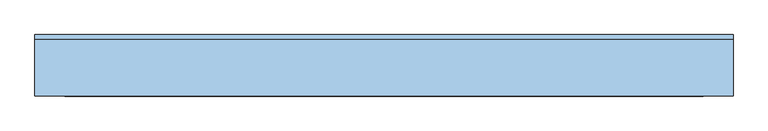
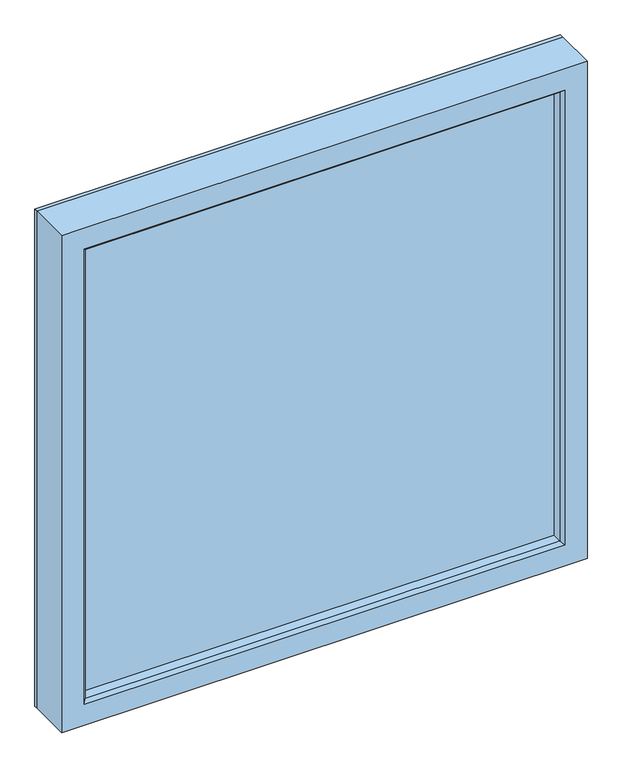
"""IFC4 building model written with IfcOpenShell, lengths in millimetres: window geometry."""

from ifc_helpers import new_model, si_unit, frame, origin, place, context, project, spatial, polyline, outline, extrude, faceted_brep, source, transform, mapped, element, save


def window_906ad695(model_context):
    return source(origin(), model_context, "Body", "SolidModel", [
        extrude(outline(polyline([(674.0, 0.0), (674.0, -48.0), (-424.0, -48.0), (-424.0, 0.0), (674.0, 0.0)])), frame((0.0, 0.0, 51.003724), z_axis=(0.0, 0.0, 1.0), x_axis=(1.0, 0.0, 0.0)), (0.0, 0.0, 1.0), 1097.992552),
        faceted_brep([(673.996276, -48.0, 1148.996276), (673.996276, 17.1039254, 1148.996276), (673.996276, 17.1039254, 51.003724), (673.996276, -48.0, 51.003724), (656.0, -70.9960746, 1131.0), (656.0, -48.0, 1131.0), (656.0, -48.0, 69.0), (656.0, -70.9960746, 69.0), (663.0, -77.9960746, 1138.0), (663.0, -77.9960746, 62.0), (713.0, 17.1039254, 1188.0), (713.0, -77.9960746, 1188.0), (713.0, -77.9960746, 12.0), (713.0, 17.1039254, 12.0), (-423.996276, 17.1039254, 51.003724), (-423.996276, -48.0, 51.003724), (-406.0, -48.0, 69.0), (-406.0, -70.9960746, 69.0), (-413.0, -77.9960746, 62.0), (-463.0, -77.9960746, 12.0), (-463.0, 17.1039254, 12.0), (-423.996276, 17.1039254, 1148.996276), (-423.996276, -48.0, 1148.996276), (-406.0, -48.0, 1131.0), (-406.0, -70.9960746, 1131.0), (-413.0, -77.9960746, 1138.0), (-463.0, -77.9960746, 1188.0), (-463.0, 17.1039254, 1188.0)], [[[0, 1, 2, 3]], [[4, 5, 6, 7]], [[8, 4, 7, 9]], [[10, 11, 12, 13]], [[3, 2, 14, 15]], [[7, 6, 16, 17]], [[9, 7, 17, 18]], [[13, 12, 19, 20]], [[15, 14, 21, 22]], [[17, 16, 23, 24]], [[18, 17, 24, 25]], [[20, 19, 26, 27]], [[13, 20, 27, 10], [1, 21, 14, 2]], [[22, 21, 1, 0]], [[3, 15, 22, 0], [5, 23, 16, 6]], [[24, 23, 5, 4]], [[25, 24, 4, 8]], [[11, 26, 19, 12], [9, 18, 25, 8]], [[27, 26, 11, 10]]]),
        faceted_brep([(673.996276, 17.1039254, 1148.996276), (673.996276, 0.0, 1148.996276), (673.996276, 0.0, 51.003724), (673.996276, 17.1039254, 51.003724), (713.0, 25.6039254, 1188.0), (713.0, 17.1039254, 1188.0), (713.0, 17.1039254, 12.0), (713.0, 25.6039254, 12.0), (655.5875961, 0.0, 1130.5875961), (666.1576071, 25.6039254, 1141.1576071), (666.1576071, 25.6039254, 58.8423929), (655.5875961, 0.0, 69.4124039), (-423.996276, 0.0, 51.003724), (-423.996276, 17.1039254, 51.003724), (-463.0, 17.1039254, 12.0), (-463.0, 25.6039254, 12.0), (-416.1576071, 25.6039254, 58.8423929), (-405.5875961, 0.0, 69.4124039), (-423.996276, 0.0, 1148.996276), (-423.996276, 17.1039254, 1148.996276), (-463.0, 17.1039254, 1188.0), (-463.0, 25.6039254, 1188.0), (-416.1576071, 25.6039254, 1141.1576071), (-405.5875961, 0.0, 1130.5875961)], [[[0, 1, 2, 3]], [[4, 5, 6, 7]], [[8, 9, 10, 11]], [[3, 2, 12, 13]], [[7, 6, 14, 15]], [[11, 10, 16, 17]], [[13, 12, 18, 19]], [[15, 14, 20, 21]], [[17, 16, 22, 23]], [[1, 18, 12, 2], [11, 17, 23, 8]], [[19, 18, 1, 0]], [[5, 20, 14, 6], [3, 13, 19, 0]], [[21, 20, 5, 4]], [[7, 15, 21, 4], [9, 22, 16, 10]], [[23, 22, 9, 8]]]),
    ])


if __name__ == "__main__":
    model = new_model("IFC4")
    model_context = context("Model", 3, world=origin())
    ifc_project = project(units=[si_unit("LENGTHUNIT", "METRE", prefix="MILLI")], contexts=[model_context])
    site = spatial("IfcSite", under=ifc_project)
    building = spatial("IfcBuilding", under=site)
    placement = place(None, origin())
    window_shape = window_906ad695(model_context)
    element("IfcWindow", 1, at=placement, inside=building, context=model_context, shape_type="MappedRepresentation", body=[
        mapped(window_shape, transform((0.0, 0.0, 0.0), x_axis=(1.0, 0.0, 0.0), y_axis=(0.0, 1.0, 0.0), z_axis=(0.0, 0.0, 1.0))),
    ])
    save(model, "model.ifc")
